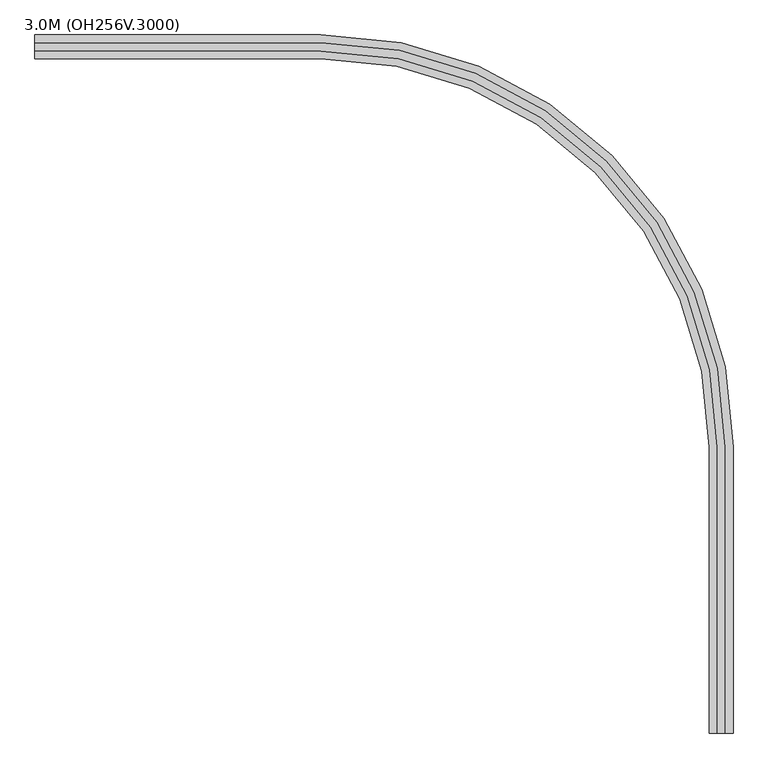
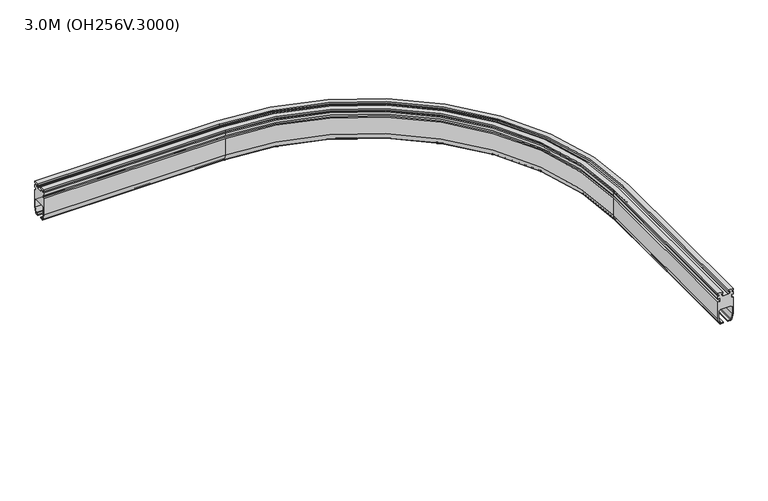
"""IFC4 building model written with IfcOpenShell, lengths in millimetres: proxy geometry, 3.0M (OH256V.3000)."""

from ifc_helpers import new_model, si_unit, point, frame, origin, place, context, project, spatial, polyline, circle_curve, ellipse_curve, trimmed, source, transform, mapped, element, save
from ifc_brep_helpers import plane_surface, cylinder_surface, revolved_surface, advanced_brep


def proxy_3_0m_oh256v_3000_d5f3ae19(model_context):
    return source(origin(), model_context, "Body", "AdvancedBrep", [
        advanced_brep(
        [(-413.5740481, 330.0, 94.75), (-413.5740481, 330.0, 25.1), (-413.5740481, 324.2674695, 3.7059048), (-413.5740481, 319.4378403, 0.0), (-413.5740481, 309.025, 0.0), (-413.5740481, 309.025, 4.0), (-413.5740481, 317.9031864, 4.0), (-413.5740481, 320.8009638, 6.2235429), (-413.5740481, 326.0, 25.62661), (-413.5740481, 326.0, 55.0), (-413.5740481, 321.0, 60.0), (-413.5740481, 279.0, 60.0), (-413.5740481, 274.0, 55.0), (-413.5740481, 274.0, 25.62661), (-413.5740481, 279.1990362, 6.2235429), (-413.5740481, 282.0968136, 4.0), (-413.5740481, 290.975, 4.0), (-413.5740481, 290.975, 0.0), (-413.5740481, 280.5621597, 0.0), (-413.5740481, 275.7325305, 3.7059048), (-413.5740481, 270.0, 25.1), (-413.5740481, 270.0, 94.75), (-413.5740481, 277.0, 94.75), (-413.5740481, 277.0, 106.75), (-413.5740481, 270.0, 106.75), (-413.5740481, 270.0, 117.0), (-413.5740481, 276.0, 117.0), (-413.5740481, 276.0, 124.0), (-413.5740481, 270.0, 124.0), (-413.5740481, 270.0, 130.0), (-413.5740481, 289.5, 130.0), (-413.5740481, 289.5, 124.0), (-413.5740481, 283.5, 124.0), (-413.5740481, 283.5, 117.0), (-413.5740481, 289.5, 117.0), (-413.5740481, 289.5, 114.0), (-413.5740481, 310.5, 114.0), (-413.5740481, 310.5, 117.0), (-413.5740481, 316.5, 117.0), (-413.5740481, 316.5, 124.0), (-413.5740481, 310.5, 124.0), (-413.5740481, 310.5, 130.0), (-413.5740481, 330.0, 130.0), (-413.5740481, 330.0, 124.0), (-413.5740481, 324.0, 124.0), (-413.5740481, 324.0, 117.0), (-413.5740481, 330.0, 117.0), (-413.5740481, 330.0, 106.75), (-413.5740481, 323.0, 106.75), (-413.5740481, 323.0, 94.75), (301.0277885, 330.0, 94.75), (301.0277885, 330.0, 25.1), (301.0277885, 324.2674695, 3.7059048), (301.0277885, 319.4378403, 0.0), (1320.4656288, -700.0, 0.0), (1320.4656288, -1414.6018366, 0.0), (1310.0527885, -1414.6018366, 0.0), (1310.0527885, -700.0, 0.0), (301.0277885, 309.025, 0.0), (301.0277885, 309.025, 4.0), (1310.0527885, -700.0, 4.0), (1310.0527885, -1414.6018366, 4.0), (1318.9309749, -1414.6018366, 4.0), (1318.9309749, -700.0, 4.0), (301.0277885, 317.9031864, 4.0), (301.0277885, 320.8009638, 6.2235429), (301.0277885, 326.0, 25.62661), (301.0277885, 326.0, 55.0), (301.0277885, 321.0, 60.0), (1322.0277885, -700.0, 60.0), (1322.0277885, -1414.6018366, 60.0), (1280.0277885, -1414.6018366, 60.0), (1280.0277885, -700.0, 60.0), (301.0277885, 279.0, 60.0), (301.0277885, 274.0, 55.0), (301.0277885, 274.0, 25.62661), (301.0277885, 279.1990362, 6.2235429), (301.0277885, 282.0968136, 4.0), (1283.1246022, -700.0, 4.0), (1283.1246022, -1414.6018366, 4.0), (1292.0027885, -1414.6018366, 4.0), (1292.0027885, -700.0, 4.0), (301.0277885, 290.975, 4.0), (301.0277885, 290.975, 0.0), (1292.0027885, -700.0, 0.0), (1292.0027885, -1414.6018366, 0.0), (1281.5899482, -1414.6018366, 0.0), (1281.5899482, -700.0, 0.0), (301.0277885, 280.5621597, 0.0), (301.0277885, 275.7325305, 3.7059048), (301.0277885, 270.0, 25.1), (301.0277885, 270.0, 94.75), (1271.0277885, -700.0, 94.75), (1271.0277885, -1414.6018366, 94.75), (1278.0277885, -1414.6018366, 94.75), (1278.0277885, -700.0, 94.75), (301.0277885, 277.0, 94.75), (301.0277885, 277.0, 106.75), (1278.0277885, -700.0, 106.75), (1278.0277885, -1414.6018366, 106.75), (1271.0277885, -1414.6018366, 106.75), (1271.0277885, -700.0, 106.75), (301.0277885, 270.0, 106.75), (301.0277885, 270.0, 117.0), (1271.0277885, -700.0, 117.0), (1271.0277885, -1414.6018366, 117.0), (1277.0277885, -1414.6018366, 117.0), (1277.0277885, -700.0, 117.0), (301.0277885, 276.0, 117.0), (301.0277885, 276.0, 124.0), (1277.0277885, -700.0, 124.0), (1277.0277885, -1414.6018366, 124.0), (1271.0277885, -1414.6018366, 124.0), (1271.0277885, -700.0, 124.0), (301.0277885, 270.0, 124.0), (301.0277885, 270.0, 130.0), (1271.0277885, -700.0, 130.0), (1271.0277885, -1414.6018366, 130.0), (1290.5277885, -1414.6018366, 130.0), (1290.5277885, -700.0, 130.0), (301.0277885, 289.5, 130.0), (301.0277885, 289.5, 124.0), (1290.5277885, -700.0, 124.0), (1290.5277885, -1414.6018366, 124.0), (1284.5277885, -1414.6018366, 124.0), (1284.5277885, -700.0, 124.0), (301.0277885, 283.5, 124.0), (301.0277885, 283.5, 117.0), (1284.5277885, -700.0, 117.0), (1284.5277885, -1414.6018366, 117.0), (1290.5277885, -1414.6018366, 117.0), (1290.5277885, -700.0, 117.0), (301.0277885, 289.5, 117.0), (301.0277885, 289.5, 114.0), (1290.5277885, -700.0, 114.0), (1290.5277885, -1414.6018366, 114.0), (1311.5277885, -1414.6018366, 114.0), (1311.5277885, -700.0, 114.0), (301.0277885, 310.5, 114.0), (301.0277885, 310.5, 117.0), (1311.5277885, -700.0, 117.0), (1311.5277885, -1414.6018366, 117.0), (1317.5277885, -1414.6018366, 117.0), (1317.5277885, -700.0, 117.0), (301.0277885, 316.5, 117.0), (301.0277885, 316.5, 124.0), (1317.5277885, -700.0, 124.0), (1317.5277885, -1414.6018366, 124.0), (1311.5277885, -1414.6018366, 124.0), (1311.5277885, -700.0, 124.0), (301.0277885, 310.5, 124.0), (301.0277885, 310.5, 130.0), (1311.5277885, -700.0, 130.0), (1311.5277885, -1414.6018366, 130.0), (1331.0277885, -1414.6018366, 130.0), (1331.0277885, -700.0, 130.0), (301.0277885, 330.0, 130.0), (301.0277885, 330.0, 124.0), (1331.0277885, -700.0, 124.0), (1331.0277885, -1414.6018366, 124.0), (1325.0277885, -1414.6018366, 124.0), (1325.0277885, -700.0, 124.0), (301.0277885, 324.0, 124.0), (301.0277885, 324.0, 117.0), (1325.0277885, -700.0, 117.0), (1325.0277885, -1414.6018366, 117.0), (1331.0277885, -1414.6018366, 117.0), (1331.0277885, -700.0, 117.0), (301.0277885, 330.0, 117.0), (301.0277885, 330.0, 106.75), (1331.0277885, -700.0, 106.75), (1331.0277885, -1414.6018366, 106.75), (1324.0277885, -1414.6018366, 106.75), (1324.0277885, -700.0, 106.75), (301.0277885, 323.0, 106.75), (301.0277885, 323.0, 94.75), (1324.0277885, -700.0, 94.75), (1324.0277885, -1414.6018366, 94.75), (1331.0277885, -1414.6018366, 94.75), (1331.0277885, -700.0, 94.75), (1331.0277885, -700.0, 25.1), (1325.295258, -700.0, 3.7059048), (1321.8287523, -700.0, 6.2235429), (1327.0277885, -700.0, 25.62661), (1327.0277885, -700.0, 55.0), (1275.0277885, -700.0, 55.0), (1275.0277885, -700.0, 25.62661), (1280.2268247, -700.0, 6.2235429), (1276.760319, -700.0, 3.7059048), (1271.0277885, -700.0, 25.1), (1271.0277885, -1414.6018366, 25.1), (1276.760319, -1414.6018366, 3.7059048), (1280.2268247, -1414.6018366, 6.2235429), (1275.0277885, -1414.6018366, 25.62661), (1275.0277885, -1414.6018366, 55.0), (1327.0277885, -1414.6018366, 55.0), (1327.0277885, -1414.6018366, 25.62661), (1321.8287523, -1414.6018366, 6.2235429), (1325.295258, -1414.6018366, 3.7059048), (1331.0277885, -1414.6018366, 25.1)],
        [
            (0, 1),
            (1, 2),
            (2, 3, circle_curve(frame((-413.5740481, 319.4378403, 5.0), z_axis=(-1.0, 0.0, 0.0), x_axis=(0.0, 0.9659258262890678, -0.2588190451025229)), 5.0)),
            (3, 4),
            (4, 5),
            (5, 6),
            (6, 7, circle_curve(frame((-413.5740481, 317.9031864, 7.0), z_axis=(1.0, 0.0, 0.0), x_axis=(0.0, -0.9659258262890709, 0.25881904510251114)), 3.0)),
            (7, 8),
            (8, 9),
            (9, 10, circle_curve(frame((-413.5740481, 321.0, 55.0), z_axis=(1.0, 0.0, 0.0), x_axis=(0.0, 0.0, -1.0)), 5.0)),
            (10, 11),
            (11, 12, circle_curve(frame((-413.5740481, 279.0, 55.0), z_axis=(1.0, 0.0, 0.0), x_axis=(0.0, 1.0, 0.0)), 5.0)),
            (12, 13),
            (13, 14),
            (14, 15, circle_curve(frame((-413.5740481, 282.0968136, 7.0), z_axis=(1.0, 0.0, 0.0), x_axis=(0.0, 0.0, 1.0)), 3.0)),
            (15, 16),
            (16, 17),
            (17, 18),
            (18, 19, circle_curve(frame((-413.5740481, 280.5621597, 5.0), z_axis=(-1.0, 0.0, 0.0), x_axis=(0.0, -0.9659258262890698, -0.2588190451025158)), 5.0)),
            (19, 20),
            (20, 21),
            (21, 22),
            (22, 23),
            (23, 24),
            (24, 25),
            (25, 26),
            (26, 27),
            (27, 28),
            (28, 29),
            (29, 30),
            (30, 31),
            (31, 32),
            (32, 33),
            (33, 34),
            (34, 35),
            (35, 36),
            (36, 37),
            (37, 38),
            (38, 39),
            (39, 40),
            (40, 41),
            (41, 42),
            (42, 43),
            (43, 44),
            (44, 45),
            (45, 46),
            (46, 47),
            (47, 48),
            (48, 49),
            (49, 0),
            (0, 50),
            (50, 51),
            (51, 1),
            (51, 52),
            (52, 2),
            (52, 53, circle_curve(frame((301.0277885, 319.4378403, 5.0), z_axis=(-1.0, 0.0, 0.0), x_axis=(0.0, 0.9659258262890678, -0.2588190451025229)), 5.0)),
            (53, 3),
            (53, 54, circle_curve(frame((301.0277885, -700.0, 0.0), z_axis=(0.0, 0.0, -1.0), x_axis=(0.0, 1.0, 0.0)), 1019.4378403)),
            (54, 55),
            (55, 56),
            (56, 57),
            (57, 58, circle_curve(frame((301.0277885, -700.0, 0.0), z_axis=(0.0, 0.0, 1.0), x_axis=(0.0, 1.0, 0.0)), 1009.025)),
            (58, 4),
            (58, 59),
            (59, 5),
            (59, 60, circle_curve(frame((301.0277885, -700.0, 4.0), z_axis=(0.0, 0.0, -1.0), x_axis=(0.0, 1.0, 0.0)), 1009.025)),
            (60, 61),
            (61, 62),
            (62, 63),
            (63, 64, circle_curve(frame((301.0277885, -700.0, 4.0), z_axis=(0.0, 0.0, 1.0), x_axis=(0.0, 1.0, 0.0)), 1017.9031864)),
            (64, 6),
            (64, 65, circle_curve(frame((301.0277885, 317.9031864, 7.0), z_axis=(1.0, 0.0, 0.0), x_axis=(0.0, -0.9659258262890709, 0.25881904510251114)), 3.0)),
            (65, 7),
            (65, 66),
            (66, 8),
            (66, 67),
            (67, 9),
            (67, 68, circle_curve(frame((301.0277885, 321.0, 55.0), z_axis=(1.0, 0.0, 0.0), x_axis=(0.0, 0.0, -1.0)), 5.0)),
            (68, 10),
            (68, 69, circle_curve(frame((301.0277885, -700.0, 60.0), z_axis=(0.0, 0.0, -1.0), x_axis=(0.0, 1.0, 0.0)), 1021.0)),
            (69, 70),
            (70, 71),
            (71, 72),
            (72, 73, circle_curve(frame((301.0277885, -700.0, 60.0), z_axis=(0.0, 0.0, 1.0), x_axis=(0.0, 1.0, 0.0)), 979.0)),
            (73, 11),
            (73, 74, circle_curve(frame((301.0277885, 279.0, 55.0), z_axis=(1.0, 0.0, 0.0), x_axis=(0.0, 1.0, 0.0)), 5.0)),
            (74, 12),
            (74, 75),
            (75, 13),
            (75, 76),
            (76, 14),
            (76, 77, circle_curve(frame((301.0277885, 282.0968136, 7.0), z_axis=(1.0, 0.0, 0.0), x_axis=(0.0, 0.0, 1.0)), 3.0)),
            (77, 15),
            (77, 78, circle_curve(frame((301.0277885, -700.0, 4.0), z_axis=(0.0, 0.0, -1.0), x_axis=(0.0, 1.0, 0.0)), 982.0968136)),
            (78, 79),
            (79, 80),
            (80, 81),
            (81, 82, circle_curve(frame((301.0277885, -700.0, 4.0), z_axis=(0.0, 0.0, 1.0), x_axis=(0.0, 1.0, 0.0)), 990.975)),
            (82, 16),
            (82, 83),
            (83, 17),
            (83, 84, circle_curve(frame((301.0277885, -700.0, 0.0), z_axis=(0.0, 0.0, -1.0), x_axis=(0.0, 1.0, 0.0)), 990.975)),
            (84, 85),
            (85, 86),
            (86, 87),
            (87, 88, circle_curve(frame((301.0277885, -700.0, 0.0), z_axis=(0.0, 0.0, 1.0), x_axis=(0.0, 1.0, 0.0)), 980.5621597)),
            (88, 18),
            (88, 89, circle_curve(frame((301.0277885, 280.5621597, 5.0), z_axis=(-1.0, 0.0, 0.0), x_axis=(0.0, -0.9659258262890698, -0.2588190451025158)), 5.0)),
            (89, 19),
            (89, 90),
            (90, 20),
            (90, 91),
            (91, 21),
            (91, 92, circle_curve(frame((301.0277885, -700.0, 94.75), z_axis=(0.0, 0.0, -1.0), x_axis=(0.0, 1.0, 0.0)), 970.0)),
            (92, 93),
            (93, 94),
            (94, 95),
            (95, 96, circle_curve(frame((301.0277885, -700.0, 94.75), z_axis=(0.0, 0.0, 1.0), x_axis=(0.0, 1.0, 0.0)), 977.0)),
            (96, 22),
            (96, 97),
            (97, 23),
            (97, 98, circle_curve(frame((301.0277885, -700.0, 106.75), z_axis=(0.0, 0.0, -1.0), x_axis=(0.0, 1.0, 0.0)), 977.0)),
            (98, 99),
            (99, 100),
            (100, 101),
            (101, 102, circle_curve(frame((301.0277885, -700.0, 106.75), z_axis=(0.0, 0.0, 1.0), x_axis=(0.0, 1.0, 0.0)), 970.0)),
            (102, 24),
            (102, 103),
            (103, 25),
            (103, 104, circle_curve(frame((301.0277885, -700.0, 117.0), z_axis=(0.0, 0.0, -1.0), x_axis=(0.0, 1.0, 0.0)), 970.0)),
            (104, 105),
            (105, 106),
            (106, 107),
            (107, 108, circle_curve(frame((301.0277885, -700.0, 117.0), z_axis=(0.0, 0.0, 1.0), x_axis=(0.0, 1.0, 0.0)), 976.0)),
            (108, 26),
            (108, 109),
            (109, 27),
            (109, 110, circle_curve(frame((301.0277885, -700.0, 124.0), z_axis=(0.0, 0.0, -1.0), x_axis=(0.0, 1.0, 0.0)), 976.0)),
            (110, 111),
            (111, 112),
            (112, 113),
            (113, 114, circle_curve(frame((301.0277885, -700.0, 124.0), z_axis=(0.0, 0.0, 1.0), x_axis=(0.0, 1.0, 0.0)), 970.0)),
            (114, 28),
            (114, 115),
            (115, 29),
            (115, 116, circle_curve(frame((301.0277885, -700.0, 130.0), z_axis=(0.0, 0.0, -1.0), x_axis=(0.0, 1.0, 0.0)), 970.0)),
            (116, 117),
            (117, 118),
            (118, 119),
            (119, 120, circle_curve(frame((301.0277885, -700.0, 130.0), z_axis=(0.0, 0.0, 1.0), x_axis=(0.0, 1.0, 0.0)), 989.5)),
            (120, 30),
            (120, 121),
            (121, 31),
            (121, 122, circle_curve(frame((301.0277885, -700.0, 124.0), z_axis=(0.0, 0.0, -1.0), x_axis=(0.0, 1.0, 0.0)), 989.5)),
            (122, 123),
            (123, 124),
            (124, 125),
            (125, 126, circle_curve(frame((301.0277885, -700.0, 124.0), z_axis=(0.0, 0.0, 1.0), x_axis=(0.0, 1.0, 0.0)), 983.5)),
            (126, 32),
            (126, 127),
            (127, 33),
            (127, 128, circle_curve(frame((301.0277885, -700.0, 117.0), z_axis=(0.0, 0.0, -1.0), x_axis=(0.0, 1.0, 0.0)), 983.5)),
            (128, 129),
            (129, 130),
            (130, 131),
            (131, 132, circle_curve(frame((301.0277885, -700.0, 117.0), z_axis=(0.0, 0.0, 1.0), x_axis=(0.0, 1.0, 0.0)), 989.5)),
            (132, 34),
            (132, 133),
            (133, 35),
            (133, 134, circle_curve(frame((301.0277885, -700.0, 114.0), z_axis=(0.0, 0.0, -1.0), x_axis=(0.0, 1.0, 0.0)), 989.5)),
            (134, 135),
            (135, 136),
            (136, 137),
            (137, 138, circle_curve(frame((301.0277885, -700.0, 114.0), z_axis=(0.0, 0.0, 1.0), x_axis=(0.0, 1.0, 0.0)), 1010.5)),
            (138, 36),
            (138, 139),
            (139, 37),
            (139, 140, circle_curve(frame((301.0277885, -700.0, 117.0), z_axis=(0.0, 0.0, -1.0), x_axis=(0.0, 1.0, 0.0)), 1010.5)),
            (140, 141),
            (141, 142),
            (142, 143),
            (143, 144, circle_curve(frame((301.0277885, -700.0, 117.0), z_axis=(0.0, 0.0, 1.0), x_axis=(0.0, 1.0, 0.0)), 1016.5)),
            (144, 38),
            (144, 145),
            (145, 39),
            (145, 146, circle_curve(frame((301.0277885, -700.0, 124.0), z_axis=(0.0, 0.0, -1.0), x_axis=(0.0, 1.0, 0.0)), 1016.5)),
            (146, 147),
            (147, 148),
            (148, 149),
            (149, 150, circle_curve(frame((301.0277885, -700.0, 124.0), z_axis=(0.0, 0.0, 1.0), x_axis=(0.0, 1.0, 0.0)), 1010.5)),
            (150, 40),
            (150, 151),
            (151, 41),
            (151, 152, circle_curve(frame((301.0277885, -700.0, 130.0), z_axis=(0.0, 0.0, -1.0), x_axis=(0.0, 1.0, 0.0)), 1010.5)),
            (152, 153),
            (153, 154),
            (154, 155),
            (155, 156, circle_curve(frame((301.0277885, -700.0, 130.0), z_axis=(0.0, 0.0, 1.0), x_axis=(0.0, 1.0, 0.0)), 1030.0)),
            (156, 42),
            (156, 157),
            (157, 43),
            (157, 158, circle_curve(frame((301.0277885, -700.0, 124.0), z_axis=(0.0, 0.0, -1.0), x_axis=(0.0, 1.0, 0.0)), 1030.0)),
            (158, 159),
            (159, 160),
            (160, 161),
            (161, 162, circle_curve(frame((301.0277885, -700.0, 124.0), z_axis=(0.0, 0.0, 1.0), x_axis=(0.0, 1.0, 0.0)), 1024.0)),
            (162, 44),
            (162, 163),
            (163, 45),
            (163, 164, circle_curve(frame((301.0277885, -700.0, 117.0), z_axis=(0.0, 0.0, -1.0), x_axis=(0.0, 1.0, 0.0)), 1024.0)),
            (164, 165),
            (165, 166),
            (166, 167),
            (167, 168, circle_curve(frame((301.0277885, -700.0, 117.0), z_axis=(0.0, 0.0, 1.0), x_axis=(0.0, 1.0, 0.0)), 1030.0)),
            (168, 46),
            (168, 169),
            (169, 47),
            (169, 170, circle_curve(frame((301.0277885, -700.0, 106.75), z_axis=(0.0, 0.0, -1.0), x_axis=(0.0, 1.0, 0.0)), 1030.0)),
            (170, 171),
            (171, 172),
            (172, 173),
            (173, 174, circle_curve(frame((301.0277885, -700.0, 106.75), z_axis=(0.0, 0.0, 1.0), x_axis=(0.0, 1.0, 0.0)), 1023.0)),
            (174, 48),
            (174, 175),
            (175, 49),
            (175, 176, circle_curve(frame((301.0277885, -700.0, 94.75), z_axis=(0.0, 0.0, -1.0), x_axis=(0.0, 1.0, 0.0)), 1023.0)),
            (176, 177),
            (177, 178),
            (178, 179),
            (179, 50, circle_curve(frame((301.0277885, -700.0, 94.75), z_axis=(0.0, 0.0, 1.0), x_axis=(0.0, 1.0, 0.0)), 1030.0)),
            (180, 51, circle_curve(frame((301.0277885, -700.0, 25.1), z_axis=(0.0, 0.0, 1.0), x_axis=(0.0, 1.0, 0.0)), 1030.0)),
            (179, 180),
            (180, 181),
            (181, 52, circle_curve(frame((301.0277885, -700.0, 3.7059048), z_axis=(0.0, 0.0, 1.0), x_axis=(0.0, 1.0, 0.0)), 1024.2674695)),
            (181, 54, circle_curve(frame((1320.4656288, -700.0, 5.0), z_axis=(0.0, 1.0000000000000002, 0.0), x_axis=(0.9659258262890671, 0.0, -0.258819045102526)), 5.0)),
            (57, 60),
            (63, 182, circle_curve(frame((1318.9309749, -700.0, 7.0), z_axis=(0.0, -1.0, 0.0), x_axis=(-0.9659258262890702, 0.0, 0.25881904510251424)), 3.0)),
            (182, 65, circle_curve(frame((301.0277885, -700.0, 6.2235429), z_axis=(0.0, 0.0, 1.0), x_axis=(0.0, 1.0, 0.0)), 1020.8009638)),
            (182, 183),
            (183, 66, circle_curve(frame((301.0277885, -700.0, 25.62661), z_axis=(0.0, 0.0, 1.0), x_axis=(0.0, 1.0, 0.0)), 1026.0)),
            (183, 184),
            (184, 67, circle_curve(frame((301.0277885, -700.0, 55.0), z_axis=(0.0, 0.0, 1.0), x_axis=(0.0, 1.0, 0.0)), 1026.0)),
            (184, 69, circle_curve(frame((1322.0277885, -700.0, 55.0), z_axis=(0.0, -1.0, 0.0), x_axis=(0.0, 0.0, -1.0)), 5.0)),
            (72, 185, circle_curve(frame((1280.0277885, -700.0, 55.0), z_axis=(0.0, -1.0, 0.0), x_axis=(1.0, 0.0, 0.0)), 5.0)),
            (185, 74, circle_curve(frame((301.0277885, -700.0, 55.0), z_axis=(0.0, 0.0, 1.0), x_axis=(0.0, 1.0, 0.0)), 974.0)),
            (185, 186),
            (186, 75, circle_curve(frame((301.0277885, -700.0, 25.62661), z_axis=(0.0, 0.0, 1.0), x_axis=(0.0, 1.0, 0.0)), 974.0)),
            (186, 187),
            (187, 76, circle_curve(frame((301.0277885, -700.0, 6.2235429), z_axis=(0.0, 0.0, 1.0), x_axis=(0.0, 1.0, 0.0)), 979.1990362)),
            (187, 78, circle_curve(frame((1283.1246022, -700.0, 7.0), z_axis=(0.0, -1.0, 0.0), x_axis=(0.0, 0.0, 1.0)), 3.0)),
            (81, 84),
            (87, 188, circle_curve(frame((1281.5899482, -700.0, 5.0), z_axis=(0.0, 1.0000000000000002, 0.0), x_axis=(-0.9659258262890704, 0.0, -0.25881904510251263)), 5.0)),
            (188, 89, circle_curve(frame((301.0277885, -700.0, 3.7059048), z_axis=(0.0, 0.0, 1.0), x_axis=(0.0, 1.0, 0.0)), 975.7325305)),
            (188, 189),
            (189, 90, circle_curve(frame((301.0277885, -700.0, 25.1), z_axis=(0.0, 0.0, 1.0), x_axis=(0.0, 1.0, 0.0)), 970.0)),
            (189, 92),
            (95, 98),
            (101, 104),
            (107, 110),
            (113, 116),
            (119, 122),
            (125, 128),
            (131, 134),
            (137, 140),
            (143, 146),
            (149, 152),
            (155, 158),
            (161, 164),
            (167, 170),
            (173, 176),
            (177, 172),
            (171, 166),
            (165, 160),
            (159, 154),
            (153, 148),
            (147, 142),
            (141, 136),
            (135, 130),
            (129, 124),
            (123, 118),
            (117, 112),
            (111, 106),
            (105, 100),
            (99, 94),
            (93, 190),
            (190, 191),
            (191, 86, circle_curve(frame((1281.5899482, -1414.6018366, 5.0), z_axis=(0.0, -1.0, 0.0), x_axis=(-0.9659258262890705, 0.0, -0.2588190451025127)), 5.0)),
            (85, 80),
            (79, 192, circle_curve(frame((1283.1246022, -1414.6018366, 7.0), z_axis=(0.0, 1.0, 0.0), x_axis=(0.0, 0.0, 1.0)), 3.0)),
            (192, 193),
            (193, 194),
            (194, 71, circle_curve(frame((1280.0277885, -1414.6018366, 55.0), z_axis=(0.0, 1.0, 0.0), x_axis=(1.0, 0.0, 0.0)), 5.0)),
            (70, 195, circle_curve(frame((1322.0277885, -1414.6018366, 55.0), z_axis=(0.0, 1.0, 0.0), x_axis=(0.0, 0.0, -1.0)), 5.0)),
            (195, 196),
            (196, 197),
            (197, 62, circle_curve(frame((1318.9309749, -1414.6018366, 7.0), z_axis=(0.0, 1.0, 0.0), x_axis=(-0.9659258262890701, 0.0, 0.25881904510251424)), 3.0)),
            (61, 56),
            (55, 198, circle_curve(frame((1320.4656288, -1414.6018366, 5.0), z_axis=(0.0, -1.0, 0.0), x_axis=(0.965925826289067, 0.0, -0.258819045102526)), 5.0)),
            (198, 199),
            (199, 178),
            (199, 180),
            (198, 181),
            (197, 182),
            (196, 183),
            (195, 184),
            (194, 185),
            (193, 186),
            (192, 187),
            (191, 188),
            (190, 189),
        ],
        [
            plane_surface(frame((-413.5740481, 300.0, 0.0), z_axis=(-1.0, 0.0, 0.0), x_axis=(0.0, 0.0, 1.0))),
            plane_surface(frame((-413.5740481, 330.0, 94.75), z_axis=(0.0, 1.0, 0.0), x_axis=(1.0, 0.0, 0.0))),
            plane_surface(frame((-413.5740481, 330.0, 25.1), z_axis=(0.0, 0.9659258262890681, -0.2588190451025215), x_axis=(1.0, 0.0, 0.0))),
            cylinder_surface(frame((-413.5740481, 319.4378403, 5.0), z_axis=(-1.0, 0.0, 0.0), x_axis=(0.0, 0.9659258262890678, -0.2588190451025229)), 5.0),
            plane_surface(frame((-413.5740481, 319.4378403, 0.0), z_axis=(0.0, 0.0, -1.0), x_axis=(1.0, 0.0, 0.0))),
            plane_surface(frame((-413.5740481, 309.025, 0.0), z_axis=(0.0, -1.0, 0.0), x_axis=(1.0, 0.0, 0.0))),
            plane_surface(frame((-413.5740481, 309.025, 4.0), z_axis=(0.0, 0.0, 1.0), x_axis=(1.0, 0.0, 0.0))),
            revolved_surface(polyline([(301.02778850000004, 315.00540892113276, 7.776457135307533), (-413.5740481, 315.00540892113276, 7.776457135307533)]), (-413.5740481, 317.9031864, 7.0), (1.0, 0.0, 0.0)),
            plane_surface(frame((-413.5740481, 320.8009638, 6.2235429), z_axis=(0.0, -0.9659258262890666, 0.25881904510252696), x_axis=(1.0, 0.0, 0.0))),
            plane_surface(frame((-413.5740481, 326.0, 25.62661), z_axis=(0.0, -1.0, 0.0), x_axis=(1.0, 0.0, 0.0))),
            revolved_surface(polyline([(301.02778850000004, 321.0, 50.0), (-413.5740481, 321.0, 50.0)]), (-413.5740481, 321.0, 55.0), (1.0, 0.0, 0.0)),
            plane_surface(frame((-413.5740481, 321.0, 60.0), z_axis=(0.0, 0.0, -1.0), x_axis=(1.0, 0.0, 0.0))),
            revolved_surface(polyline([(301.02778850000004, 284.0, 55.0), (-413.5740481, 284.0, 55.0)]), (-413.5740481, 279.0, 55.0), (1.0, 0.0, 0.0)),
            plane_surface(frame((-413.5740481, 274.0, 55.0), z_axis=(0.0, 1.0, 0.0), x_axis=(1.0, 0.0, 0.0))),
            plane_surface(frame((-413.5740481, 274.0, 25.62661), z_axis=(0.0, 0.9659258262890692, 0.25881904510251774), x_axis=(1.0, 0.0, 0.0))),
            revolved_surface(polyline([(301.02778850000004, 282.0968136, 10.0), (-413.5740481, 282.0968136, 10.0)]), (-413.5740481, 282.0968136, 7.0), (1.0, 0.0, 0.0)),
            plane_surface(frame((-413.5740481, 282.0968136, 4.0), z_axis=(0.0, 0.0, 1.0), x_axis=(1.0, 0.0, 0.0))),
            plane_surface(frame((-413.5740481, 290.975, 4.0), z_axis=(0.0, 1.0, 0.0), x_axis=(1.0, 0.0, 0.0))),
            plane_surface(frame((-413.5740481, 290.975, 0.0), z_axis=(0.0, 0.0, -1.0), x_axis=(1.0, 0.0, 0.0))),
            cylinder_surface(frame((-413.5740481, 280.5621597, 5.0), z_axis=(-1.0000000000000002, 0.0, 0.0), x_axis=(0.0, -0.9659258262890698, -0.2588190451025158)), 5.0),
            plane_surface(frame((-413.5740481, 275.7325305, 3.7059048), z_axis=(0.0, -0.9659258262890702, -0.25881904510251397), x_axis=(1.0, 0.0, 0.0))),
            plane_surface(frame((-413.5740481, 270.0, 25.1), z_axis=(0.0, -1.0, 0.0), x_axis=(1.0, 0.0, 0.0))),
            plane_surface(frame((-413.5740481, 270.0, 94.75), z_axis=(0.0, 0.0, 1.0), x_axis=(1.0, 0.0, 0.0))),
            plane_surface(frame((-413.5740481, 277.0, 94.75), z_axis=(0.0, -1.0, 0.0), x_axis=(1.0, 0.0, 0.0))),
            plane_surface(frame((-413.5740481, 277.0, 106.75), z_axis=(0.0, 0.0, -1.0), x_axis=(1.0, 0.0, 0.0))),
            plane_surface(frame((-413.5740481, 270.0, 106.75), z_axis=(0.0, -1.0, 0.0), x_axis=(1.0, 0.0, 0.0))),
            plane_surface(frame((-413.5740481, 270.0, 117.0), z_axis=(0.0, 0.0, 1.0), x_axis=(1.0, 0.0, 0.0))),
            plane_surface(frame((-413.5740481, 276.0, 117.0), z_axis=(0.0, -1.0, 0.0), x_axis=(1.0, 0.0, 0.0))),
            plane_surface(frame((-413.5740481, 276.0, 124.0), z_axis=(0.0, 0.0, -1.0), x_axis=(1.0, 0.0, 0.0))),
            plane_surface(frame((-413.5740481, 270.0, 124.0), z_axis=(0.0, -1.0, 0.0), x_axis=(1.0, 0.0, 0.0))),
            plane_surface(frame((-413.5740481, 270.0, 130.0), z_axis=(0.0, 0.0, 1.0), x_axis=(1.0, 0.0, 0.0))),
            plane_surface(frame((-413.5740481, 289.5, 130.0), z_axis=(0.0, 1.0, 0.0), x_axis=(1.0, 0.0, 0.0))),
            plane_surface(frame((-413.5740481, 289.5, 124.0), z_axis=(0.0, 0.0, -1.0), x_axis=(1.0, 0.0, 0.0))),
            plane_surface(frame((-413.5740481, 283.5, 124.0), z_axis=(0.0, 1.0, 0.0), x_axis=(1.0, 0.0, 0.0))),
            plane_surface(frame((-413.5740481, 283.5, 117.0), z_axis=(0.0, 0.0, 1.0), x_axis=(1.0, 0.0, 0.0))),
            plane_surface(frame((-413.5740481, 289.5, 117.0), z_axis=(0.0, 1.0, 0.0), x_axis=(1.0, 0.0, 0.0))),
            plane_surface(frame((-413.5740481, 289.5, 114.0), z_axis=(0.0, 0.0, 1.0), x_axis=(1.0, 0.0, 0.0))),
            plane_surface(frame((-413.5740481, 310.5, 114.0), z_axis=(0.0, -1.0, 0.0), x_axis=(1.0, 0.0, 0.0))),
            plane_surface(frame((-413.5740481, 310.5, 117.0), z_axis=(0.0, 0.0, 1.0), x_axis=(1.0, 0.0, 0.0))),
            plane_surface(frame((-413.5740481, 316.5, 117.0), z_axis=(0.0, -1.0, 0.0), x_axis=(1.0, 0.0, 0.0))),
            plane_surface(frame((-413.5740481, 316.5, 124.0), z_axis=(0.0, 0.0, -1.0), x_axis=(1.0, 0.0, 0.0))),
            plane_surface(frame((-413.5740481, 310.5, 124.0), z_axis=(0.0, -1.0, 0.0), x_axis=(1.0, 0.0, 0.0))),
            plane_surface(frame((-413.5740481, 310.5, 130.0), z_axis=(0.0, 0.0, 1.0), x_axis=(1.0, 0.0, 0.0))),
            plane_surface(frame((-413.5740481, 330.0, 130.0), z_axis=(0.0, 1.0, 0.0), x_axis=(1.0, 0.0, 0.0))),
            plane_surface(frame((-413.5740481, 330.0, 124.0), z_axis=(0.0, 0.0, -1.0), x_axis=(1.0, 0.0, 0.0))),
            plane_surface(frame((-413.5740481, 324.0, 124.0), z_axis=(0.0, 1.0, 0.0), x_axis=(1.0, 0.0, 0.0))),
            plane_surface(frame((-413.5740481, 324.0, 117.0), z_axis=(0.0, 0.0, 1.0), x_axis=(1.0, 0.0, 0.0))),
            plane_surface(frame((-413.5740481, 330.0, 117.0), z_axis=(0.0, 1.0, 0.0), x_axis=(1.0, 0.0, 0.0))),
            plane_surface(frame((-413.5740481, 330.0, 106.75), z_axis=(0.0, 0.0, -1.0), x_axis=(1.0, 0.0, 0.0))),
            plane_surface(frame((-413.5740481, 323.0, 106.75), z_axis=(0.0, 1.0, 0.0), x_axis=(1.0, 0.0, 0.0))),
            plane_surface(frame((-413.5740481, 323.0, 94.75), z_axis=(0.0, 0.0, 1.0), x_axis=(1.0, 0.0, 0.0))),
            cylinder_surface(frame((301.0277885, -700.0, 0.0), z_axis=(0.0, 0.0, -1.0), x_axis=(0.0, 1.0, 0.0)), 1030.0),
            revolved_surface(polyline([(301.0277885, 330.0, 25.1), (301.0277885, 324.2674695, 3.7059048)]), (301.0277885, -700.0, 0.0), (0.0, 0.0, -1.0)),
            revolved_surface(trimmed(ellipse_curve(frame((301.0277885, 319.4378403, 5.0), z_axis=(-1.0000000000000002, 0.0, 0.0), x_axis=(0.0, 0.9659258262890679, -0.2588190451025229)), 5.0, 5.0), [point((301.0277885, 324.2674695, 3.7059048))], [point((301.0277885, 319.4378403, 0.0))], True, "CARTESIAN"), (301.0277885, -700.0, 0.0), (0.0, 0.0, -1.0)),
            revolved_surface(polyline([(301.0277885, 309.025, 0.0), (301.0277885, 309.025, 4.0)]), (301.0277885, -700.0, 0.0), (0.0, 0.0, -1.0)),
            revolved_surface(trimmed(ellipse_curve(frame((301.0277885, 317.9031864, 7.0), z_axis=(1.0, 0.0, 0.0), x_axis=(0.0, -0.965925826289071, 0.25881904510251114)), 3.0, 3.0), [point((301.0277885, 317.9031864, 4.0))], [point((301.0277885, 320.8009638, 6.2235429))], True, "CARTESIAN"), (301.0277885, -700.0, 0.0), (0.0, 0.0, -1.0)),
            revolved_surface(polyline([(301.0277885, 320.8009638, 6.2235429), (301.0277885, 326.0, 25.62661)]), (301.0277885, -700.0, 0.0), (0.0, 0.0, -1.0)),
            revolved_surface(polyline([(301.0277885, 326.0, 25.62661), (301.0277885, 326.0, 55.0)]), (301.0277885, -700.0, 0.0), (0.0, 0.0, -1.0)),
            revolved_surface(trimmed(ellipse_curve(frame((301.0277885, 321.0, 55.0), z_axis=(1.0, 0.0, 0.0), x_axis=(0.0, 0.0, -1.0)), 5.0, 5.0), [point((301.0277885, 326.0, 55.0))], [point((301.0277885, 321.0, 60.0))], True, "CARTESIAN"), (301.0277885, -700.0, 0.0), (0.0, 0.0, -1.0)),
            revolved_surface(trimmed(ellipse_curve(frame((301.0277885, 279.0, 55.0), z_axis=(1.0, 0.0, 0.0), x_axis=(0.0, 1.0, 0.0)), 5.0, 5.0), [point((301.0277885, 279.0, 60.0))], [point((301.0277885, 274.0, 55.0))], True, "CARTESIAN"), (301.0277885, -700.0, 0.0), (0.0, 0.0, -1.0)),
            cylinder_surface(frame((301.0277885, -700.0, 0.0), z_axis=(0.0, 0.0, -1.0), x_axis=(0.0, 1.0, 0.0)), 974.0),
            revolved_surface(polyline([(301.0277885, 274.0, 25.62661), (301.0277885, 279.1990362, 6.2235429)]), (301.0277885, -700.0, 0.0), (0.0, 0.0, -1.0)),
            revolved_surface(trimmed(ellipse_curve(frame((301.0277885, 282.0968136, 7.0), z_axis=(1.0, 0.0, 0.0), x_axis=(0.0, 0.0, 1.0)), 3.0, 3.0), [point((301.0277885, 279.1990362, 6.2235429))], [point((301.0277885, 282.0968136, 4.0))], True, "CARTESIAN"), (301.0277885, -700.0, 0.0), (0.0, 0.0, -1.0)),
            cylinder_surface(frame((301.0277885, -700.0, 0.0), z_axis=(0.0, 0.0, -1.0), x_axis=(0.0, 1.0, 0.0)), 990.975),
            revolved_surface(trimmed(ellipse_curve(frame((301.0277885, 280.5621597, 5.0), z_axis=(-1.0000000000000002, 0.0, 0.0), x_axis=(0.0, -0.9659258262890696, -0.25881904510251574)), 5.0, 5.0), [point((301.0277885, 280.5621597, 0.0))], [point((301.0277885, 275.7325305, 3.7059048))], True, "CARTESIAN"), (301.0277885, -700.0, 0.0), (0.0, 0.0, -1.0)),
            revolved_surface(polyline([(301.0277885, 275.7325305, 3.7059048), (301.0277885, 270.0, 25.1)]), (301.0277885, -700.0, 0.0), (0.0, 0.0, -1.0)),
            revolved_surface(polyline([(301.0277885, 270.0, 25.1), (301.0277885, 270.0, 94.75)]), (301.0277885, -700.0, 0.0), (0.0, 0.0, -1.0)),
            revolved_surface(polyline([(301.0277885, 277.0, 94.75), (301.0277885, 277.0, 106.75)]), (301.0277885, -700.0, 0.0), (0.0, 0.0, -1.0)),
            revolved_surface(polyline([(301.0277885, 270.0, 106.75), (301.0277885, 270.0, 117.0)]), (301.0277885, -700.0, 0.0), (0.0, 0.0, -1.0)),
            revolved_surface(polyline([(301.0277885, 276.0, 117.0), (301.0277885, 276.0, 124.0)]), (301.0277885, -700.0, 0.0), (0.0, 0.0, -1.0)),
            revolved_surface(polyline([(301.0277885, 270.0, 124.0), (301.0277885, 270.0, 130.0)]), (301.0277885, -700.0, 0.0), (0.0, 0.0, -1.0)),
            cylinder_surface(frame((301.0277885, -700.0, 0.0), z_axis=(0.0, 0.0, -1.0), x_axis=(0.0, 1.0, 0.0)), 989.5),
            cylinder_surface(frame((301.0277885, -700.0, 0.0), z_axis=(0.0, 0.0, -1.0), x_axis=(0.0, 1.0, 0.0)), 983.5),
            revolved_surface(polyline([(301.0277885, 310.5, 114.0), (301.0277885, 310.5, 117.0)]), (301.0277885, -700.0, 0.0), (0.0, 0.0, -1.0)),
            revolved_surface(polyline([(301.0277885, 316.5, 117.0), (301.0277885, 316.5, 124.0)]), (301.0277885, -700.0, 0.0), (0.0, 0.0, -1.0)),
            revolved_surface(polyline([(301.0277885, 310.5, 124.0), (301.0277885, 310.5, 130.0)]), (301.0277885, -700.0, 0.0), (0.0, 0.0, -1.0)),
            cylinder_surface(frame((301.0277885, -700.0, 0.0), z_axis=(0.0, 0.0, -1.0), x_axis=(0.0, 1.0, 0.0)), 1024.0),
            cylinder_surface(frame((301.0277885, -700.0, 0.0), z_axis=(0.0, 0.0, -1.0), x_axis=(0.0, 1.0, 0.0)), 1023.0),
            plane_surface(frame((1301.0277885, -1414.6018366, 0.0), z_axis=(0.0, -1.0, 0.0), x_axis=(0.0, 0.0, 1.0))),
            plane_surface(frame((1331.0277885, -700.0, 94.75), z_axis=(1.0, 0.0, 0.0), x_axis=(0.0, -1.0, 0.0))),
            plane_surface(frame((1331.0277885, -700.0, 25.1), z_axis=(0.9659258262890673, 0.0, -0.2588190451025246), x_axis=(0.0, -1.0, 0.0))),
            cylinder_surface(frame((1320.4656288, -700.0, 5.0), z_axis=(0.0, 1.0000000000000002, 0.0), x_axis=(0.965925826289067, 0.0, -0.258819045102526)), 5.0),
            plane_surface(frame((1310.0527885, -700.0, 0.0), z_axis=(-1.0, 0.0, 0.0), x_axis=(0.0, -1.0, 0.0))),
            revolved_surface(polyline([(1316.0331974211326, -1414.6018366000003, 7.776457135307543), (1316.0331974211326, -700.0, 7.776457135307543)]), (1318.9309749, -700.0, 7.0), (0.0, -1.0000000000000002, 0.0)),
            plane_surface(frame((1321.8287523, -700.0, 6.2235429), z_axis=(-0.9659258262890659, 0.0, 0.25881904510253007), x_axis=(0.0, -1.0, 0.0))),
            plane_surface(frame((1327.0277885, -700.0, 25.62661), z_axis=(-1.0, 0.0, 0.0), x_axis=(0.0, -1.0, 0.0))),
            revolved_surface(polyline([(1322.0277885, -1414.6018366, 50.0), (1322.0277885, -700.0, 50.0)]), (1322.0277885, -700.0, 55.0), (0.0, -1.0, 0.0)),
            revolved_surface(polyline([(1285.0277885, -1414.6018366, 55.0), (1285.0277885, -700.0, 55.0)]), (1280.0277885, -700.0, 55.0), (0.0, -1.0, 0.0)),
            plane_surface(frame((1275.0277885, -700.0, 55.0), z_axis=(1.0, 0.0, 0.0), x_axis=(0.0, -1.0, 0.0))),
            plane_surface(frame((1275.0277885, -700.0, 25.62661), z_axis=(0.96592582628907, 0.0, 0.25881904510251463), x_axis=(0.0, -1.0, 0.0))),
            revolved_surface(polyline([(1283.1246022, -1414.6018366, 10.0), (1283.1246022, -700.0, 10.0)]), (1283.1246022, -700.0, 7.0), (0.0, -1.0, 0.0)),
            plane_surface(frame((1292.0027885, -700.0, 4.0), z_axis=(1.0, 0.0, 0.0), x_axis=(0.0, -1.0, 0.0))),
            cylinder_surface(frame((1281.5899482, -700.0, 5.0), z_axis=(0.0, 1.0000000000000002, 0.0), x_axis=(-0.9659258262890705, 0.0, -0.2588190451025127)), 5.0),
            plane_surface(frame((1276.760319, -700.0, 3.7059048), z_axis=(-0.965925826289071, 0.0, -0.25881904510251086), x_axis=(0.0, -1.0, 0.0))),
            plane_surface(frame((1271.0277885, -700.0, 25.1), z_axis=(-1.0, 0.0, 0.0), x_axis=(0.0, -1.0, 0.0))),
            plane_surface(frame((1278.0277885, -700.0, 94.75), z_axis=(-1.0, 0.0, 0.0), x_axis=(0.0, -1.0, 0.0))),
            plane_surface(frame((1271.0277885, -700.0, 106.75), z_axis=(-1.0, 0.0, 0.0), x_axis=(0.0, -1.0, 0.0))),
            plane_surface(frame((1277.0277885, -700.0, 117.0), z_axis=(-1.0, 0.0, 0.0), x_axis=(0.0, -1.0, 0.0))),
            plane_surface(frame((1271.0277885, -700.0, 124.0), z_axis=(-1.0, 0.0, 0.0), x_axis=(0.0, -1.0, 0.0))),
            plane_surface(frame((1290.5277885, -700.0, 130.0), z_axis=(1.0, 0.0, 0.0), x_axis=(0.0, -1.0, 0.0))),
            plane_surface(frame((1284.5277885, -700.0, 124.0), z_axis=(1.0, 0.0, 0.0), x_axis=(0.0, -1.0, 0.0))),
            plane_surface(frame((1290.5277885, -700.0, 117.0), z_axis=(1.0, 0.0, 0.0), x_axis=(0.0, -1.0, 0.0))),
            plane_surface(frame((1311.5277885, -700.0, 114.0), z_axis=(-1.0, 0.0, 0.0), x_axis=(0.0, -1.0, 0.0))),
            plane_surface(frame((1317.5277885, -700.0, 117.0), z_axis=(-1.0, 0.0, 0.0), x_axis=(0.0, -1.0, 0.0))),
            plane_surface(frame((1311.5277885, -700.0, 124.0), z_axis=(-1.0, 0.0, 0.0), x_axis=(0.0, -1.0, 0.0))),
            plane_surface(frame((1331.0277885, -700.0, 130.0), z_axis=(1.0, 0.0, 0.0), x_axis=(0.0, -1.0, 0.0))),
            plane_surface(frame((1325.0277885, -700.0, 124.0), z_axis=(1.0, 0.0, 0.0), x_axis=(0.0, -1.0, 0.0))),
            plane_surface(frame((1331.0277885, -700.0, 117.0), z_axis=(1.0, 0.0, 0.0), x_axis=(0.0, -1.0, 0.0))),
            plane_surface(frame((1324.0277885, -700.0, 106.75), z_axis=(1.0, 0.0, 0.0), x_axis=(0.0, -1.0, 0.0))),
        ],
        [
            (0, [[1, 2, 3, 4, 5, 6, 7, 8, 9, 10, 11, 12, 13, 14, 15, 16, 17, 18, 19, 20, 21, 22, 23, 24, 25, 26, 27, 28, 29, 30, 31, 32, 33, 34, 35, 36, 37, 38, 39, 40, 41, 42, 43, 44, 45, 46, 47, 48, 49, 50]]),
            (1, [[-1, 51, 52, 53]]),
            (2, [[-2, -53, 54, 55]]),
            (3, [[-3, -55, 56, 57]]),
            (4, [[-4, -57, 58, 59, 60, 61, 62, 63]]),
            (5, [[-5, -63, 64, 65]]),
            (6, [[-6, -65, 66, 67, 68, 69, 70, 71]]),
            (7, [[-7, -71, 72, 73]]),
            (8, [[-8, -73, 74, 75]]),
            (9, [[-9, -75, 76, 77]]),
            (10, [[-10, -77, 78, 79]]),
            (11, [[-11, -79, 80, 81, 82, 83, 84, 85]]),
            (12, [[-12, -85, 86, 87]]),
            (13, [[-13, -87, 88, 89]]),
            (14, [[-14, -89, 90, 91]]),
            (15, [[-15, -91, 92, 93]]),
            (16, [[-16, -93, 94, 95, 96, 97, 98, 99]]),
            (17, [[-17, -99, 100, 101]]),
            (18, [[-18, -101, 102, 103, 104, 105, 106, 107]]),
            (19, [[-19, -107, 108, 109]]),
            (20, [[-20, -109, 110, 111]]),
            (21, [[-21, -111, 112, 113]]),
            (22, [[-22, -113, 114, 115, 116, 117, 118, 119]]),
            (23, [[-23, -119, 120, 121]]),
            (24, [[-24, -121, 122, 123, 124, 125, 126, 127]]),
            (25, [[-25, -127, 128, 129]]),
            (26, [[-26, -129, 130, 131, 132, 133, 134, 135]]),
            (27, [[-27, -135, 136, 137]]),
            (28, [[-28, -137, 138, 139, 140, 141, 142, 143]]),
            (29, [[-29, -143, 144, 145]]),
            (30, [[-30, -145, 146, 147, 148, 149, 150, 151]]),
            (31, [[-31, -151, 152, 153]]),
            (32, [[-32, -153, 154, 155, 156, 157, 158, 159]]),
            (33, [[-33, -159, 160, 161]]),
            (34, [[-34, -161, 162, 163, 164, 165, 166, 167]]),
            (35, [[-35, -167, 168, 169]]),
            (36, [[-36, -169, 170, 171, 172, 173, 174, 175]]),
            (37, [[-37, -175, 176, 177]]),
            (38, [[-38, -177, 178, 179, 180, 181, 182, 183]]),
            (39, [[-39, -183, 184, 185]]),
            (40, [[-40, -185, 186, 187, 188, 189, 190, 191]]),
            (41, [[-41, -191, 192, 193]]),
            (42, [[-42, -193, 194, 195, 196, 197, 198, 199]]),
            (43, [[-43, -199, 200, 201]]),
            (44, [[-44, -201, 202, 203, 204, 205, 206, 207]]),
            (45, [[-45, -207, 208, 209]]),
            (46, [[-46, -209, 210, 211, 212, 213, 214, 215]]),
            (47, [[-47, -215, 216, 217]]),
            (48, [[-48, -217, 218, 219, 220, 221, 222, 223]]),
            (49, [[-49, -223, 224, 225]]),
            (50, [[-50, -225, 226, 227, 228, 229, 230, -51]]),
            (51, [[231, -52, -230, 232]]),
            (52, [[-231, 233, 234, -54]]),
            (53, [[-234, 235, -58, -56]]),
            (54, [[-62, 236, -66, -64]]),
            (55, [[-70, 237, 238, -72]]),
            (56, [[-238, 239, 240, -74]]),
            (57, [[-240, 241, 242, -76]]),
            (58, [[-242, 243, -80, -78]]),
            (59, [[-84, 244, 245, -86]]),
            (60, [[-245, 246, 247, -88]]),
            (61, [[-247, 248, 249, -90]]),
            (62, [[-249, 250, -94, -92]]),
            (63, [[-98, 251, -102, -100]]),
            (64, [[-106, 252, 253, -108]]),
            (65, [[-253, 254, 255, -110]]),
            (66, [[-255, 256, -114, -112]]),
            (67, [[-118, 257, -122, -120]]),
            (68, [[-126, 258, -130, -128]]),
            (69, [[-134, 259, -138, -136]]),
            (70, [[-142, 260, -146, -144]]),
            (71, [[-150, 261, -154, -152]]),
            (72, [[-158, 262, -162, -160]]),
            (71, [[-166, 263, -170, -168]]),
            (73, [[-174, 264, -178, -176]]),
            (74, [[-182, 265, -186, -184]]),
            (75, [[-190, 266, -194, -192]]),
            (51, [[-198, 267, -202, -200]]),
            (76, [[-206, 268, -210, -208]]),
            (51, [[-214, 269, -218, -216]]),
            (77, [[-222, 270, -226, -224]]),
            (78, [[-228, 271, -220, 272, -212, 273, -204, 274, -196, 275, -188, 276, -180, 277, -172, 278, -164, 279, -156, 280, -148, 281, -140, 282, -132, 283, -124, 284, -116, 285, 286, 287, -104, 288, -96, 289, 290, 291, 292, -82, 293, 294, 295, 296, -68, 297, -60, 298, 299, 300]]),
            (79, [[-300, 301, -232, -229]]),
            (80, [[-299, 302, -233, -301]]),
            (81, [[-298, -59, -235, -302]]),
            (82, [[-297, -67, -236, -61]]),
            (83, [[-296, 303, -237, -69]]),
            (84, [[-295, 304, -239, -303]]),
            (85, [[-294, 305, -241, -304]]),
            (86, [[-293, -81, -243, -305]]),
            (87, [[-292, 306, -244, -83]]),
            (88, [[-291, 307, -246, -306]]),
            (89, [[-290, 308, -248, -307]]),
            (90, [[-289, -95, -250, -308]]),
            (91, [[-288, -103, -251, -97]]),
            (92, [[-287, 309, -252, -105]]),
            (93, [[-286, 310, -254, -309]]),
            (94, [[-285, -115, -256, -310]]),
            (95, [[-284, -123, -257, -117]]),
            (96, [[-283, -131, -258, -125]]),
            (97, [[-282, -139, -259, -133]]),
            (98, [[-281, -147, -260, -141]]),
            (99, [[-280, -155, -261, -149]]),
            (100, [[-279, -163, -262, -157]]),
            (101, [[-278, -171, -263, -165]]),
            (102, [[-277, -179, -264, -173]]),
            (103, [[-276, -187, -265, -181]]),
            (104, [[-275, -195, -266, -189]]),
            (105, [[-274, -203, -267, -197]]),
            (106, [[-273, -211, -268, -205]]),
            (107, [[-272, -219, -269, -213]]),
            (108, [[-271, -227, -270, -221]]),
        ],
    ),
    ])


if __name__ == "__main__":
    model = new_model("IFC4")
    model_context = context("Model", 3, world=origin())
    ifc_project = project(units=[si_unit("LENGTHUNIT", "METRE", prefix="MILLI")], contexts=[model_context])
    site = spatial("IfcSite", under=ifc_project)
    building = spatial("IfcBuilding", under=site)
    placement = place(None, origin())
    proxy_3_0m_oh256v_3000_shape = proxy_3_0m_oh256v_3000_d5f3ae19(model_context)
    element("IfcBuildingElementProxy", 1, Name="3.0M (OH256V.3000)", ObjectType="3.0M (OH256V.3000)", at=placement, inside=building, context=model_context, shape_type="MappedRepresentation", body=[
        mapped(proxy_3_0m_oh256v_3000_shape, transform((0.0, 0.0, 0.0), x_axis=(1.0, 0.0, 0.0), y_axis=(0.0, 1.0, 0.0), z_axis=(0.0, 0.0, 1.0))),
    ])
    save(model, "model.ifc")
